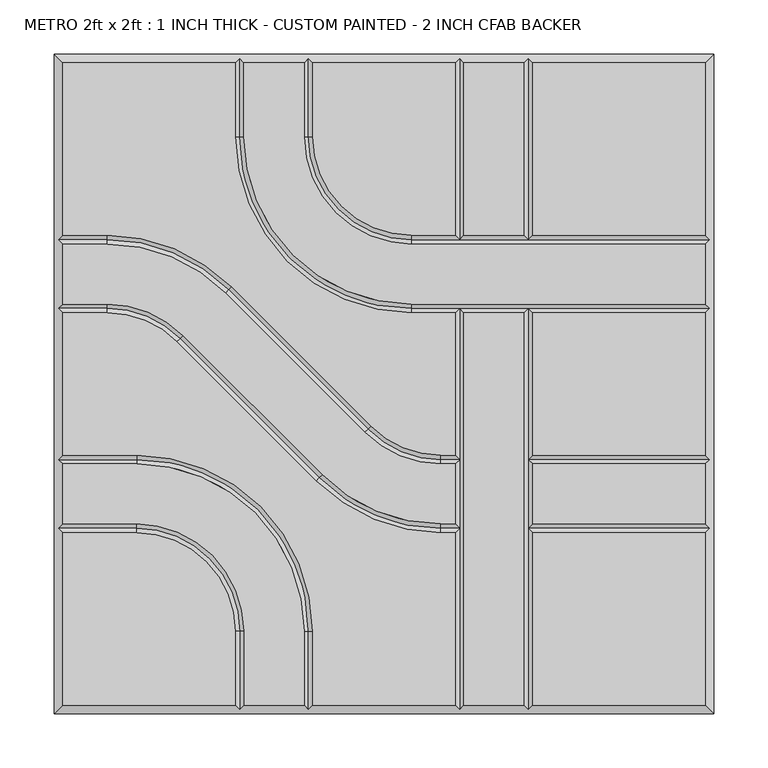
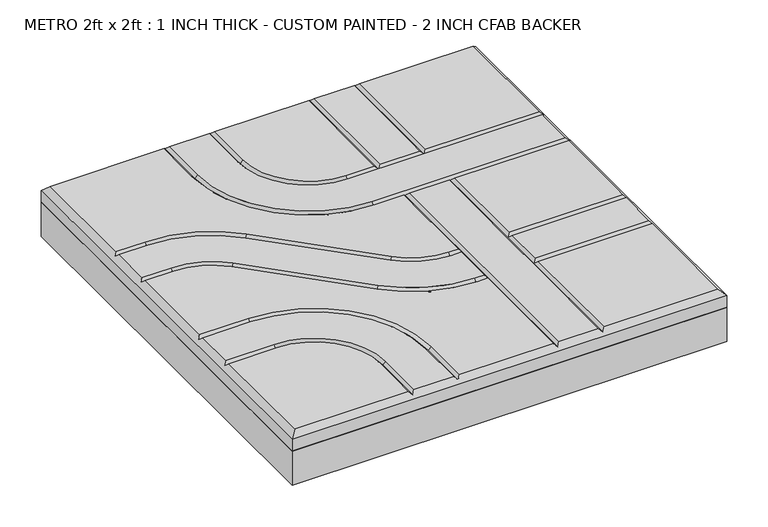
"""IFC4 building model written with IfcOpenShell, lengths in millimetres: proxy geometry, METRO 2ft x 2ft : 1 INCH THICK - CUSTOM PAINTED - 2 INCH CFAB BACKER."""

from ifc_helpers import new_model, si_unit, frame, origin, place, context, project, spatial, polyline, circle_curve, outline, extrude, source, transform, mapped, element, save
from ifc_brep_helpers import plane_surface, revolved_surface, advanced_brep


def metro_2ft_x_2ft_1_inch_thick_custom_painted_2_inch_cfab_ff488d80(model_context):
    return source(origin(), model_context, "Body", "SolidModel", [
        extrude(outline(polyline([(-304.8, 304.8), (304.8, 304.8), (304.8, -304.8), (-304.8, -304.8), (-304.8, 304.8)])), frame((0.0, 0.0, -50.8), z_axis=(0.0, 0.0, 1.0), x_axis=(1.0, 0.0, 0.0)), (0.0, 0.0, 1.0), 50.8),
        advanced_brep(
        [(-296.799, 296.799, 25.4), (-296.799, 137.3505125, 25.4), (-255.8081898, 137.3505125, 25.4), (-140.7286116, 89.6843987, 25.4), (-11.9143433, -39.124488, 25.4), (52.607449, -65.8495, 25.4), (65.8495, -65.8495, 25.4), (65.8495, 65.8494982, 25.4), (25.3995376, 65.8494982, 25.4), (-137.3509624, 228.5999982, 25.4), (-137.3509624, 296.799, 25.4), (296.799, 137.3504983, 25.4), (296.799, 296.799, 25.4), (137.3504989, 296.799, 25.4), (137.3504989, 137.3504983, 25.4), (-296.799, -137.3504992, 25.4), (-296.799, -296.799, 25.4), (-137.3505299, -296.799, 25.4), (-137.3505299, -228.5999992, 25.4), (-228.6000299, -137.3504992, 25.4), (137.3505, -296.799, 25.4), (296.799, -296.799, 25.4), (296.799, -137.3505, 25.4), (137.3505, -137.3505, 25.4), (52.607449, -73.8505, 25.4), (-17.5717865, -44.7821676, 25.4), (-146.3860548, 84.0267191, 25.4), (-255.8081898, 129.3495125, 25.4), (-296.799, 129.3495125, 25.4), (-296.799, 73.8505125, 25.4), (-255.8074396, 73.8505125, 25.4), (-185.6278585, 44.7818346, 25.4), (-56.8157432, -84.0261678, 25.4), (52.6069307, -129.3495, 25.4), (65.8495, -129.3495, 25.4), (65.8495, -73.8505, 25.4), (52.6069307, -137.3505, 25.4), (-62.4732142, -89.6838195, 25.4), (-191.2853295, 39.1241829, 25.4), (-255.8074396, 65.8495125, 25.4), (-296.799, 65.8495125, 25.4), (-296.799, -65.8494992, 25.4), (-228.6000171, -65.8494992, 25.4), (-65.8495171, -228.5999992, 25.4), (-65.8495171, -296.799, 25.4), (65.8495, -296.799, 25.4), (65.8495, -137.3505, 25.4), (-129.3495299, -228.5999992, 25.4), (-129.3495299, -296.799, 25.4), (-73.8505171, -296.799, 25.4), (-73.8505171, -228.5999992, 25.4), (-228.6000171, -73.8504992, 25.4), (-296.799, -73.8504992, 25.4), (-296.799, -129.3494992, 25.4), (-228.6000299, -129.3494992, 25.4), (-129.3499624, 296.799, 25.4), (-129.3499624, 228.5999982, 25.4), (25.3995376, 73.8504982, 25.4), (296.799, 73.8504982, 25.4), (296.799, 129.3494983, 25.4), (25.3995504, 129.3494983, 25.4), (-73.8509496, 228.5999983, 25.4), (-73.8509496, 296.799, 25.4), (-65.8499496, 296.799, 25.4), (-65.8499496, 228.5999983, 25.4), (25.3995504, 137.3504983, 25.4), (65.8494989, 137.3504983, 25.4), (65.8494989, 296.799, 25.4), (73.8504989, 296.799, 25.4), (73.8504989, 137.3504983, 25.4), (129.3494989, 137.3504983, 25.4), (129.3494989, 296.799, 25.4), (73.8505, 65.8494982, 25.4), (73.8505, -296.799, 25.4), (129.3495, -296.799, 25.4), (129.3495, 65.8494982, 25.4), (296.799, 65.8494982, 25.4), (137.3505, 65.8494982, 25.4), (137.3505, -65.8495, 25.4), (296.799, -65.8495, 25.4), (137.3505, -129.3495, 25.4), (296.799, -129.3495, 25.4), (296.799, -73.8505, 25.4), (137.3505, -73.8505, 25.4), (-304.8, 304.8, 0.0), (304.8, 304.8, 0.0), (304.8, -304.8, 0.0), (-304.8, -304.8, 0.0), (-304.8, -304.8, 17.399), (-304.8, 304.8, 17.399), (304.8, -304.8, 17.399), (304.8, 304.8, 17.399), (-133.3504624, 300.7995, 21.3995), (-69.8504496, 300.7995, 21.3995), (69.8499989, 300.7995, 21.3995), (133.3499989, 300.7995, 21.3995), (-300.7995, -133.3499992, 21.3995), (-300.7995, -69.8499992, 21.3995), (-300.7995, 69.8500125, 21.3995), (-300.7995, 133.3500125, 21.3995), (133.35, -300.7995, 21.3995), (69.85, -300.7995, 21.3995), (-69.8500171, -300.7995, 21.3995), (-133.3500299, -300.7995, 21.3995), (300.7995, 133.3499983, 21.3995), (300.7995, 69.8499982, 21.3995), (300.7995, -69.85, 21.3995), (300.7995, -133.35, 21.3995), (69.85, -69.85, 21.3995), (52.607449, -69.85, 21.3995), (-14.7430649, -41.9533278, 21.3995), (-143.5573332, 86.8555589, 21.3995), (-255.8081898, 133.3500125, 21.3995), (69.85, -133.35, 21.3995), (52.6069307, -133.35, 21.3995), (-59.6444787, -86.8549936, 21.3995), (-188.456594, 41.9530087, 21.3995), (-255.8074396, 69.8500125, 21.3995), (-133.3500299, -228.5999992, 21.3995), (-228.6000299, -133.3499992, 21.3995), (-228.6000171, -69.8499992, 21.3995), (-69.8500171, -228.5999992, 21.3995), (-133.3504624, 228.5999982, 21.3995), (25.3995376, 69.8499982, 21.3995), (69.85, 69.8499982, 21.3995), (133.35, 69.8499982, 21.3995), (-69.8504496, 228.5999983, 21.3995), (25.3995504, 133.3499983, 21.3995), (133.3499989, 133.3499983, 21.3995), (69.8499989, 133.3499983, 21.3995), (133.35, -133.35, 21.3995), (133.35, -69.85, 21.3995)],
        [
            (0, 1),
            (1, 2),
            (2, 3, circle_curve(frame((-255.8081898, -25.3999875, 25.4), z_axis=(0.0, 0.0, -1.0), x_axis=(0.7070920101993013, 0.7071215518652442, 0.0)), 162.7505)),
            (3, 4),
            (4, 5, circle_curve(frame((52.607449, 25.4, 25.4), z_axis=(0.0, 0.0, 1.0), x_axis=(0.0, -1.0, 0.0)), 91.2495)),
            (5, 6),
            (6, 7),
            (7, 8),
            (8, 9, circle_curve(frame((25.3995376, 228.5999982, 25.4), z_axis=(0.0, 0.0, -1.0), x_axis=(-1.0, 0.0, 0.0)), 162.7505)),
            (9, 10),
            (10, 0),
            (11, 12),
            (12, 13),
            (13, 14),
            (14, 11),
            (15, 16),
            (16, 17),
            (17, 18),
            (18, 19, circle_curve(frame((-228.6000299, -228.5999992, 25.4), z_axis=(0.0, 0.0, 1.0), x_axis=(1.0, 0.0, 0.0)), 91.2495)),
            (19, 15),
            (20, 21),
            (21, 22),
            (22, 23),
            (23, 20),
            (24, 25, circle_curve(frame((52.607449, 25.4, 25.4), z_axis=(0.0, 0.0, -1.0), x_axis=(0.0, -1.0, 0.0)), 99.2505)),
            (25, 26),
            (26, 27, circle_curve(frame((-255.8081898, -25.3999875, 25.4), z_axis=(0.0, 0.0, 1.0), x_axis=(0.7070920101993013, 0.7071215518652442, 0.0)), 154.7495)),
            (27, 28),
            (28, 29),
            (29, 30),
            (30, 31, circle_curve(frame((-255.8074396, -25.3999875, 25.4), z_axis=(0.0, 0.0, -1.0), x_axis=(0.7070954919838734, 0.7071180702089884, 0.0)), 99.2505)),
            (31, 32),
            (32, 33, circle_curve(frame((52.6069307, 25.4, 25.4), z_axis=(0.0, 0.0, 1.0), x_axis=(0.0, -1.0, 0.0)), 154.7495)),
            (33, 34),
            (34, 35),
            (35, 24),
            (36, 37, circle_curve(frame((52.6069307, 25.4, 25.4), z_axis=(0.0, 0.0, -1.0), x_axis=(0.0, -1.0, 0.0)), 162.7505)),
            (37, 38),
            (38, 39, circle_curve(frame((-255.8074396, -25.3999875, 25.4), z_axis=(0.0, 0.0, 1.0), x_axis=(0.7070954919838734, 0.7071180702089884, 0.0)), 91.2495)),
            (39, 40),
            (40, 41),
            (41, 42),
            (42, 43, circle_curve(frame((-228.6000171, -228.5999992, 25.4), z_axis=(0.0, 0.0, -1.0), x_axis=(0.0, 1.0, 0.0)), 162.7505)),
            (43, 44),
            (44, 45),
            (45, 46),
            (46, 36),
            (47, 48),
            (48, 49),
            (49, 50),
            (50, 51, circle_curve(frame((-228.6000171, -228.5999992, 25.4), z_axis=(0.0, 0.0, 1.0), x_axis=(0.0, 1.0, 0.0)), 154.7495)),
            (51, 52),
            (52, 53),
            (53, 54),
            (54, 47, circle_curve(frame((-228.6000299, -228.5999992, 25.4), z_axis=(0.0, 0.0, -1.0), x_axis=(1.0, 0.0, 0.0)), 99.2505)),
            (55, 56),
            (56, 57, circle_curve(frame((25.3995376, 228.5999982, 25.4), z_axis=(0.0, 0.0, 1.0), x_axis=(-1.0, 0.0, 0.0)), 154.7495)),
            (57, 58),
            (58, 59),
            (59, 60),
            (60, 61, circle_curve(frame((25.3995504, 228.5999983, 25.4), z_axis=(0.0, 0.0, -1.0), x_axis=(-1.0, 0.0, 0.0)), 99.2505)),
            (61, 62),
            (62, 55),
            (63, 64),
            (64, 65, circle_curve(frame((25.3995504, 228.5999983, 25.4), z_axis=(0.0, 0.0, 1.0), x_axis=(-1.0, 0.0, 0.0)), 91.2495)),
            (65, 66),
            (66, 67),
            (67, 63),
            (68, 69),
            (69, 70),
            (70, 71),
            (71, 68),
            (72, 73),
            (73, 74),
            (74, 75),
            (75, 72),
            (76, 77),
            (77, 78),
            (78, 79),
            (79, 76),
            (80, 81),
            (81, 82),
            (82, 83),
            (83, 80),
            (84, 85),
            (85, 86),
            (86, 87),
            (87, 84),
            (87, 88),
            (88, 89),
            (89, 84),
            (86, 90),
            (90, 88),
            (85, 91),
            (91, 90),
            (89, 91),
            (89, 0),
            (10, 92),
            (92, 55),
            (62, 93),
            (93, 63),
            (67, 94),
            (94, 68),
            (71, 95),
            (95, 13),
            (12, 91),
            (88, 16),
            (15, 96),
            (96, 53),
            (52, 97),
            (97, 41),
            (40, 98),
            (98, 29),
            (28, 99),
            (99, 1),
            (90, 21),
            (20, 100),
            (100, 74),
            (73, 101),
            (101, 45),
            (44, 102),
            (102, 49),
            (48, 103),
            (103, 17),
            (11, 104),
            (104, 59),
            (58, 105),
            (105, 76),
            (79, 106),
            (106, 82),
            (81, 107),
            (107, 22),
            (108, 109),
            (109, 24),
            (35, 108),
            (108, 6),
            (5, 109),
            (109, 110, circle_curve(frame((52.607449, 25.4, 21.3995), z_axis=(0.0, 0.0, -1.0), x_axis=(0.0, -1.0, 0.0)), 95.25)),
            (110, 25),
            (4, 110),
            (110, 111),
            (111, 26),
            (3, 111),
            (111, 112, circle_curve(frame((-255.8081898, -25.3999875, 21.3995), z_axis=(0.0, 0.0, 1.0), x_axis=(0.7070920101993013, 0.7071215518652442, 0.0)), 158.75)),
            (112, 27),
            (2, 112),
            (112, 99),
            (113, 114),
            (114, 36),
            (46, 113),
            (113, 34),
            (33, 114),
            (114, 115, circle_curve(frame((52.6069307, 25.4, 21.3995), z_axis=(0.0, 0.0, -1.0), x_axis=(0.0, -1.0, 0.0)), 158.75)),
            (115, 37),
            (32, 115),
            (115, 116),
            (116, 38),
            (31, 116),
            (116, 117, circle_curve(frame((-255.8074396, -25.3999875, 21.3995), z_axis=(0.0, 0.0, 1.0), x_axis=(0.7070954919838734, 0.7071180702089884, 0.0)), 95.25)),
            (117, 39),
            (30, 117),
            (117, 98),
            (118, 18),
            (103, 118),
            (47, 118),
            (118, 119, circle_curve(frame((-228.6000299, -228.5999992, 21.3995), z_axis=(0.0, 0.0, 1.0), x_axis=(1.0, 0.0, 0.0)), 95.25)),
            (119, 19),
            (54, 119),
            (119, 96),
            (120, 42),
            (97, 120),
            (51, 120),
            (120, 121, circle_curve(frame((-228.6000171, -228.5999992, 21.3995), z_axis=(0.0, 0.0, -1.0), x_axis=(0.0, 1.0, 0.0)), 158.75)),
            (121, 43),
            (50, 121),
            (121, 102),
            (122, 56),
            (92, 122),
            (9, 122),
            (122, 123, circle_curve(frame((25.3995376, 228.5999982, 21.3995), z_axis=(0.0, 0.0, 1.0), x_axis=(-1.0, 0.0, 0.0)), 158.75)),
            (123, 57),
            (8, 123),
            (123, 124),
            (124, 125),
            (125, 105),
            (125, 77),
            (7, 124),
            (124, 72),
            (75, 125),
            (126, 64),
            (93, 126),
            (61, 126),
            (126, 127, circle_curve(frame((25.3995504, 228.5999983, 21.3995), z_axis=(0.0, 0.0, 1.0), x_axis=(-1.0, 0.0, 0.0)), 95.25)),
            (127, 65),
            (60, 127),
            (14, 128),
            (128, 104),
            (127, 129),
            (129, 66),
            (69, 129),
            (129, 128),
            (128, 70),
            (129, 94),
            (128, 95),
            (108, 124),
            (113, 108),
            (101, 113),
            (100, 130),
            (130, 131),
            (131, 125),
            (23, 130),
            (131, 78),
            (130, 80),
            (83, 131),
            (107, 130),
            (106, 131),
        ],
        [
            plane_surface(frame((-304.8, 304.8, 25.4), z_axis=(0.0, 0.0, 1.0), x_axis=(0.0, -1.0, 0.0))),
            plane_surface(frame((-304.8, 304.8, 0.0), z_axis=(0.0, 0.0, -1.0), x_axis=(0.0, 1.0, 0.0))),
            plane_surface(frame((-304.8, 304.8, 25.4), z_axis=(-1.0, 0.0, 0.0), x_axis=(0.0, 0.0, -1.0))),
            plane_surface(frame((-304.8, -304.8, 25.4), z_axis=(0.0, -1.0, 0.0), x_axis=(0.0, 0.0, -1.0))),
            plane_surface(frame((304.8, -304.8, 25.4), z_axis=(1.0, 0.0, 0.0), x_axis=(0.0, 0.0, -1.0))),
            plane_surface(frame((304.8, 304.8, 25.4), z_axis=(0.0, 1.0, 0.0), x_axis=(0.0, 0.0, -1.0))),
            plane_surface(frame((296.799, 296.799, 25.4), z_axis=(0.0, 0.707106781186547, 0.7071067811865481), x_axis=(-1.0, 0.0, 0.0))),
            plane_surface(frame((-296.799, 296.799, 25.4), z_axis=(-0.707106781186547, 0.0, 0.7071067811865481), x_axis=(0.0, -1.0, 0.0))),
            plane_surface(frame((-296.799, -296.799, 25.4), z_axis=(0.0, -0.707106781186547, 0.7071067811865481), x_axis=(1.0, 0.0, 0.0))),
            plane_surface(frame((296.799, -296.799, 25.4), z_axis=(0.707106781186547, 0.0, 0.7071067811865481), x_axis=(0.0, 1.0, 0.0))),
            plane_surface(frame((69.85, -73.8505, 25.4), z_axis=(0.0, 0.707106781186547, 0.7071067811865482), x_axis=(-1.0, 0.0, 0.0))),
            plane_surface(frame((69.85, -69.85, 21.3995), z_axis=(0.0, -0.707106781186547, 0.7071067811865482), x_axis=(-1.0, 0.0, 0.0))),
            revolved_surface(polyline([(52.607449, -69.85, 21.3995), (52.607449, -73.8505, 25.4)]), (52.607449, 25.4, 25.4), (0.0, 0.0, -1.0)),
            revolved_surface(polyline([(52.607449, -65.8495, 25.4), (52.607449, -69.85, 21.3995)]), (52.607449, 25.4, 25.4), (0.0, 0.0, -1.0)),
            plane_surface(frame((-17.5717865, -44.7821676, 25.4), z_axis=(0.499989555334753, 0.5000104444470689, 0.707106781186548), x_axis=(-0.7071215518652443, 0.7070920101993012, 0.0))),
            plane_surface(frame((-14.7430649, -41.9533278, 21.3995), z_axis=(-0.499989555334753, -0.5000104444470688, 0.7071067811865481), x_axis=(-0.7071215518652442, 0.7070920101993012, 0.0))),
            revolved_surface(polyline([(-143.5573332, 86.8555589, 21.3995), (-146.3860548, 84.0267191, 25.4)]), (-255.8081898, -25.3999875, 25.4), (0.0, 0.0, 1.0)),
            revolved_surface(polyline([(-140.7286116, 89.6843987, 25.4), (-143.5573332, 86.8555589, 21.3995)]), (-255.8081898, -25.3999875, 25.4), (0.0, 0.0, 1.0)),
            plane_surface(frame((-255.8081898, 129.3495125, 25.4), z_axis=(0.0, 0.707106781186547, 0.7071067811865481), x_axis=(-1.0, 0.0, 0.0))),
            plane_surface(frame((-255.8081898, 133.3500125, 21.3995), z_axis=(0.0, -0.707106781186547, 0.7071067811865481), x_axis=(-1.0, 0.0, 0.0))),
            plane_surface(frame((69.85, -137.3505, 25.4), z_axis=(0.0, 0.707106781186547, 0.707106781186548), x_axis=(-1.0, 0.0, 0.0))),
            plane_surface(frame((69.85, -133.35, 21.3995), z_axis=(0.0, -0.707106781186547, 0.707106781186548), x_axis=(-1.0, 0.0, 0.0))),
            revolved_surface(polyline([(52.6069307, -133.35, 21.3995), (52.6069307, -137.3505, 25.4)]), (52.6069307, 25.4, 25.4), (0.0, 0.0, -1.0)),
            revolved_surface(polyline([(52.6069307, -129.3495, 25.4), (52.6069307, -133.35, 21.3995)]), (52.6069307, 25.4, 25.4), (0.0, 0.0, -1.0)),
            plane_surface(frame((-62.4732142, -89.6838195, 25.4), z_axis=(0.4999920173282346, 0.5000079825443209, 0.7071067811865481), x_axis=(-0.7071180702089888, 0.7070954919838733, 0.0))),
            plane_surface(frame((-59.6444787, -86.8549936, 21.3995), z_axis=(-0.4999920173282346, -0.5000079825443209, 0.7071067811865481), x_axis=(-0.7071180702089888, 0.7070954919838733, 0.0))),
            revolved_surface(polyline([(-188.456594, 41.9530087, 21.3995), (-191.2853295, 39.1241829, 25.4)]), (-255.8074396, -25.3999875, 25.4), (0.0, 0.0, 1.0)),
            revolved_surface(polyline([(-185.6278585, 44.7818346, 25.4), (-188.456594, 41.9530087, 21.3995)]), (-255.8074396, -25.3999875, 25.4), (0.0, 0.0, 1.0)),
            plane_surface(frame((-255.8074396, 65.8495125, 25.4), z_axis=(0.0, 0.707106781186547, 0.7071067811865481), x_axis=(-1.0, 0.0, 0.0))),
            plane_surface(frame((-255.8074396, 69.8500125, 21.3995), z_axis=(0.0, -0.707106781186547, 0.7071067811865481), x_axis=(-1.0, 0.0, 0.0))),
            plane_surface(frame((-137.3505299, -304.8, 25.4), z_axis=(0.707106781186547, 0.0, 0.7071067811865481), x_axis=(0.0, 1.0, 0.0))),
            plane_surface(frame((-133.3500299, -304.8, 21.3995), z_axis=(-0.707106781186547, 0.0, 0.7071067811865481), x_axis=(0.0, 1.0, 0.0))),
            revolved_surface(polyline([(-133.3500299, -228.5999992, 21.3995), (-137.3505299, -228.5999992, 25.4)]), (-228.6000299, -228.5999992, 25.4), (0.0, 0.0, 1.0)),
            revolved_surface(polyline([(-129.3495299, -228.5999992, 25.4), (-133.3500299, -228.5999992, 21.3995)]), (-228.6000299, -228.5999992, 25.4), (0.0, 0.0, 1.0)),
            plane_surface(frame((-228.6000299, -137.3504992, 25.4), z_axis=(0.0, 0.707106781186547, 0.7071067811865481), x_axis=(-1.0, 0.0, 0.0))),
            plane_surface(frame((-228.6000299, -133.3499992, 21.3995), z_axis=(0.0, -0.707106781186547, 0.7071067811865481), x_axis=(-1.0, 0.0, 0.0))),
            plane_surface(frame((-304.8, -65.8494992, 25.4), z_axis=(0.0, -0.707106781186547, 0.7071067811865481), x_axis=(1.0, 0.0, 0.0))),
            plane_surface(frame((-304.8, -69.8499992, 21.3995), z_axis=(0.0, 0.707106781186547, 0.7071067811865481), x_axis=(1.0, 0.0, 0.0))),
            revolved_surface(polyline([(-228.6000171, -69.8499992, 21.3995), (-228.6000171, -65.8494992, 25.4)]), (-228.6000171, -228.5999992, 25.4), (0.0, 0.0, -1.0)),
            revolved_surface(polyline([(-228.6000171, -73.8504992, 25.4), (-228.6000171, -69.8499992, 21.3995)]), (-228.6000171, -228.5999992, 25.4), (0.0, 0.0, -1.0)),
            plane_surface(frame((-65.8495171, -228.5999992, 25.4), z_axis=(-0.707106781186547, 0.0, 0.7071067811865481), x_axis=(0.0, -1.0, 0.0))),
            plane_surface(frame((-69.8500171, -228.5999992, 21.3995), z_axis=(0.707106781186547, 0.0, 0.7071067811865481), x_axis=(0.0, -1.0, 0.0))),
            plane_surface(frame((-129.3499624, 304.8, 25.4), z_axis=(-0.707106781186547, 0.0, 0.7071067811865481), x_axis=(0.0, -1.0, 0.0))),
            plane_surface(frame((-133.3504624, 304.8, 21.3995), z_axis=(0.707106781186547, 0.0, 0.7071067811865481), x_axis=(0.0, -1.0, 0.0))),
            revolved_surface(polyline([(-133.3504624, 228.5999982, 21.3995), (-129.3499624, 228.5999982, 25.4)]), (25.3995376, 228.5999982, 25.4), (0.0, 0.0, 1.0)),
            revolved_surface(polyline([(-137.3509624, 228.5999982, 25.4), (-133.3504624, 228.5999982, 21.3995)]), (25.3995376, 228.5999982, 25.4), (0.0, 0.0, 1.0)),
            plane_surface(frame((25.3995376, 73.8504982, 25.4), z_axis=(0.0, -0.707106781186547, 0.7071067811865481), x_axis=(1.0, 0.0, 0.0))),
            plane_surface(frame((25.3995376, 69.8499982, 21.3995), z_axis=(0.0, 0.707106781186547, 0.7071067811865481), x_axis=(1.0, 0.0, 0.0))),
            plane_surface(frame((-65.8499496, 304.8, 25.4), z_axis=(-0.707106781186547, 0.0, 0.7071067811865481), x_axis=(0.0, -1.0, 0.0))),
            plane_surface(frame((-69.8504496, 304.8, 21.3995), z_axis=(0.707106781186547, 0.0, 0.7071067811865481), x_axis=(0.0, -1.0, 0.0))),
            revolved_surface(polyline([(-69.8504496, 228.5999983, 21.3995), (-65.8499496, 228.5999983, 25.4)]), (25.3995504, 228.5999983, 25.4), (0.0, 0.0, 1.0)),
            revolved_surface(polyline([(-73.8509496, 228.5999983, 25.4), (-69.8504496, 228.5999983, 21.3995)]), (25.3995504, 228.5999983, 25.4), (0.0, 0.0, 1.0)),
            plane_surface(frame((25.3995504, 137.3504983, 25.4), z_axis=(0.0, -0.707106781186547, 0.7071067811865481), x_axis=(1.0, 0.0, 0.0))),
            plane_surface(frame((25.3995504, 133.3499983, 21.3995), z_axis=(0.0, 0.707106781186547, 0.7071067811865481), x_axis=(1.0, 0.0, 0.0))),
            plane_surface(frame((65.8494989, 133.35, 25.4), z_axis=(0.707106781186547, 0.0, 0.7071067811865481), x_axis=(0.0, 1.0, 0.0))),
            plane_surface(frame((69.8499989, 133.35, 21.3995), z_axis=(-0.707106781186547, 0.0, 0.7071067811865481), x_axis=(0.0, 1.0, 0.0))),
            plane_surface(frame((129.3494989, 133.35, 25.4), z_axis=(0.707106781186547, 0.0, 0.7071067811865481), x_axis=(0.0, 1.0, 0.0))),
            plane_surface(frame((133.3499989, 133.35, 21.3995), z_axis=(-0.707106781186547, 0.0, 0.7071067811865481), x_axis=(0.0, 1.0, 0.0))),
            plane_surface(frame((65.8495, -304.8, 25.4), z_axis=(0.707106781186547, 0.0, 0.7071067811865481), x_axis=(0.0, 1.0, 0.0))),
            plane_surface(frame((69.85, -304.8, 21.3995), z_axis=(-0.707106781186547, 0.0, 0.7071067811865481), x_axis=(0.0, 1.0, 0.0))),
            plane_surface(frame((129.3495, -304.8, 25.4), z_axis=(0.707106781186547, 0.0, 0.7071067811865481), x_axis=(0.0, 1.0, 0.0))),
            plane_surface(frame((133.35, -304.8, 21.3995), z_axis=(-0.707106781186547, 0.0, 0.7071067811865481), x_axis=(0.0, 1.0, 0.0))),
            plane_surface(frame((304.8, -137.3505, 25.4), z_axis=(0.0, 0.707106781186547, 0.7071067811865481), x_axis=(-1.0, 0.0, 0.0))),
            plane_surface(frame((304.8, -133.35, 21.3995), z_axis=(0.0, -0.707106781186547, 0.7071067811865481), x_axis=(-1.0, 0.0, 0.0))),
            plane_surface(frame((304.8, -73.8505, 25.4), z_axis=(0.0, 0.707106781186547, 0.7071067811865481), x_axis=(-1.0, 0.0, 0.0))),
            plane_surface(frame((304.8, -69.85, 21.3995), z_axis=(0.0, -0.707106781186547, 0.7071067811865481), x_axis=(-1.0, 0.0, 0.0))),
        ],
        [
            (0, [[1, 2, 3, 4, 5, 6, 7, 8, 9, 10, 11]]),
            (0, [[12, 13, 14, 15]]),
            (0, [[16, 17, 18, 19, 20]]),
            (0, [[21, 22, 23, 24]]),
            (0, [[25, 26, 27, 28, 29, 30, 31, 32, 33, 34, 35, 36]]),
            (0, [[37, 38, 39, 40, 41, 42, 43, 44, 45, 46, 47]]),
            (0, [[48, 49, 50, 51, 52, 53, 54, 55]]),
            (0, [[56, 57, 58, 59, 60, 61, 62, 63]]),
            (0, [[64, 65, 66, 67, 68]]),
            (0, [[69, 70, 71, 72]]),
            (0, [[73, 74, 75, 76]]),
            (0, [[77, 78, 79, 80]]),
            (0, [[81, 82, 83, 84]]),
            (1, [[85, 86, 87, 88]]),
            (2, [[-88, 89, 90, 91]]),
            (3, [[-87, 92, 93, -89]]),
            (4, [[-86, 94, 95, -92]]),
            (5, [[-85, -91, 96, -94]]),
            (6, [[97, -11, 98, 99, -63, 100, 101, -68, 102, 103, -72, 104, 105, -13, 106, -96]]),
            (7, [[-97, -90, 107, -16, 108, 109, -53, 110, 111, -41, 112, 113, -29, 114, 115, -1]]),
            (8, [[-107, -93, 116, -21, 117, 118, -74, 119, 120, -45, 121, 122, -49, 123, 124, -17]]),
            (9, [[-106, -12, 125, 126, -59, 127, 128, -80, 129, 130, -82, 131, 132, -22, -116, -95]]),
            (10, [[133, 134, -36, 135]]),
            (11, [[-133, 136, -6, 137]]),
            (12, [[-134, 138, 139, -25]]),
            (13, [[-137, -5, 140, -138]]),
            (14, [[-139, 141, 142, -26]]),
            (15, [[-140, -4, 143, -141]]),
            (16, [[-142, 144, 145, -27]]),
            (17, [[-143, -3, 146, -144]]),
            (18, [[-145, 147, -114, -28]]),
            (19, [[-146, -2, -115, -147]]),
            (20, [[148, 149, -47, 150]]),
            (21, [[-148, 151, -34, 152]]),
            (22, [[-149, 153, 154, -37]]),
            (23, [[-152, -33, 155, -153]]),
            (24, [[-154, 156, 157, -38]]),
            (25, [[-155, -32, 158, -156]]),
            (26, [[-157, 159, 160, -39]]),
            (27, [[-158, -31, 161, -159]]),
            (28, [[-160, 162, -112, -40]]),
            (29, [[-161, -30, -113, -162]]),
            (30, [[163, -18, -124, 164]]),
            (31, [[165, -164, -123, -48]]),
            (32, [[-163, 166, 167, -19]]),
            (33, [[-165, -55, 168, -166]]),
            (34, [[-167, 169, -108, -20]]),
            (35, [[-168, -54, -109, -169]]),
            (36, [[170, -42, -111, 171]]),
            (37, [[172, -171, -110, -52]]),
            (38, [[-170, 173, 174, -43]]),
            (39, [[-172, -51, 175, -173]]),
            (40, [[-174, 176, -121, -44]]),
            (41, [[-175, -50, -122, -176]]),
            (42, [[177, -56, -99, 178]]),
            (43, [[179, -178, -98, -10]]),
            (44, [[-177, 180, 181, -57]]),
            (45, [[-179, -9, 182, -180]]),
            (46, [[-181, 183, 184, 185, -127, -58]]),
            (47, [[-128, -185, 186, -77]]),
            (47, [[-182, -8, 187, -183]]),
            (47, [[188, -76, 189, -184]]),
            (48, [[190, -64, -101, 191]]),
            (49, [[192, -191, -100, -62]]),
            (50, [[-190, 193, 194, -65]]),
            (51, [[-192, -61, 195, -193]]),
            (52, [[-125, -15, 196, 197]]),
            (52, [[-194, 198, 199, -66]]),
            (52, [[200, 201, 202, -70]]),
            (53, [[-195, -60, -126, -197, -201, -198]]),
            (54, [[203, -102, -67, -199]]),
            (55, [[-203, -200, -69, -103]]),
            (56, [[204, -104, -71, -202]]),
            (57, [[-204, -196, -14, -105]]),
            (58, [[205, -187, -7, -136]]),
            (58, [[206, -135, -35, -151]]),
            (58, [[207, -150, -46, -120]]),
            (59, [[-205, -206, -207, -119, -73, -188]]),
            (60, [[-75, -118, 208, 209, 210, -189]]),
            (61, [[-117, -24, 211, -208]]),
            (61, [[-186, -210, 212, -78]]),
            (61, [[213, -84, 214, -209]]),
            (62, [[215, -211, -23, -132]]),
            (63, [[-215, -131, -81, -213]]),
            (64, [[216, -214, -83, -130]]),
            (65, [[-216, -129, -79, -212]]),
        ],
    ),
    ])


if __name__ == "__main__":
    model = new_model("IFC4")
    model_context = context("Model", 3, world=origin())
    ifc_project = project(units=[si_unit("LENGTHUNIT", "METRE", prefix="MILLI")], contexts=[model_context])
    site = spatial("IfcSite", under=ifc_project)
    building = spatial("IfcBuilding", under=site)
    placement = place(None, origin())
    metro_2ft_x_2ft_1_inch_thick_custom_painted_2_inch_cfab_shape = metro_2ft_x_2ft_1_inch_thick_custom_painted_2_inch_cfab_ff488d80(model_context)
    element("IfcBuildingElementProxy", 1, Name="METRO 2ft x 2ft : 1 INCH THICK - CUSTOM PAINTED - 2 INCH CFAB BACKER", ObjectType="METRO 2ft x 2ft : 1 INCH THICK - CUSTOM PAINTED - 2 INCH CFAB BACKER", at=placement, inside=building, context=model_context, shape_type="MappedRepresentation", body=[
        mapped(metro_2ft_x_2ft_1_inch_thick_custom_painted_2_inch_cfab_shape, transform((0.0, 0.0, 0.0), x_axis=(1.0, 0.0, 0.0), y_axis=(0.0, 1.0, 0.0), z_axis=(0.0, 0.0, 1.0))),
    ])
    save(model, "model.ifc")
